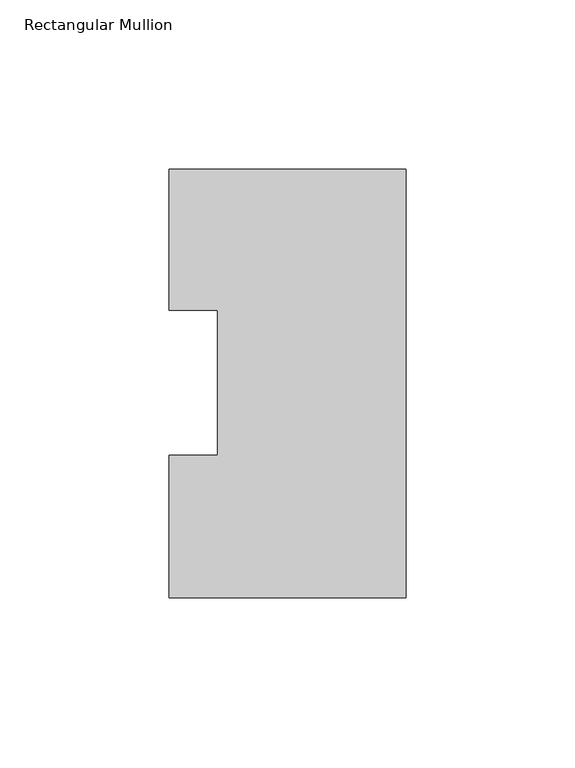
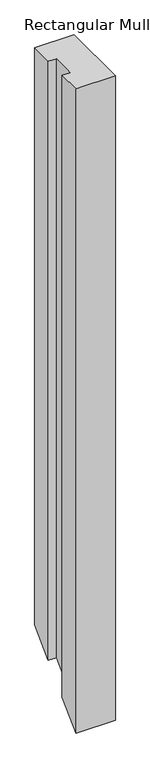
"""IFC4 building model written with IfcOpenShell, lengths in millimetres: member geometry, Rectangular Mullion."""

from ifc_helpers import new_model, si_unit, origin, place, context, project, spatial, faceted_brep, source, transform, mapped, element, save


def rectangular_mullion_8e13900c(model_context):
    return source(origin(), model_context, "Body", "Brep", [
        faceted_brep([(-69.85, 0.04445, 0.0), (0.0, 0.04445, 0.0), (0.0, 126.53645, 0.0), (-69.85, 126.53645, 0.0), (-69.85, 84.93125, 0.0), (-55.5625, 84.93125, 0.0), (-55.5625, 42.08145, 0.0), (-69.85, 42.08145, 0.0), (-69.85, 0.04445, -1206.246), (0.0, 0.04445, -1206.246), (0.0, 126.53645, -1079.754), (-69.85, 126.53645, -1079.754), (-69.85, 84.93125, -1121.3592), (-55.5625, 84.93125, -1121.3592), (-55.5625, 42.08145, -1164.209), (-69.85, 42.08145, -1164.209)], [[[0, 1, 2, 3, 4, 5, 6, 7]], [[1, 0, 8, 9]], [[2, 1, 9, 10]], [[3, 2, 10, 11]], [[4, 3, 11, 12]], [[5, 4, 12, 13]], [[6, 5, 13, 14]], [[7, 6, 14, 15]], [[0, 7, 15, 8]], [[8, 15, 14, 13, 12, 11, 10, 9]]]),
    ])


if __name__ == "__main__":
    model = new_model("IFC4")
    model_context = context("Model", 3, world=origin())
    ifc_project = project(units=[si_unit("LENGTHUNIT", "METRE", prefix="MILLI")], contexts=[model_context])
    site = spatial("IfcSite", under=ifc_project)
    building = spatial("IfcBuilding", under=site)
    placement = place(None, origin())
    rectangular_mullion_shape = rectangular_mullion_8e13900c(model_context)
    element("IfcMember", 1, ObjectType="Rectangular Mullion", at=placement, inside=building, context=model_context, shape_type="MappedRepresentation", body=[
        mapped(rectangular_mullion_shape, transform((0.0, 0.0, 0.0), x_axis=(1.0, 0.0, 0.0), y_axis=(0.0, 1.0, 0.0), z_axis=(0.0, 0.0, 1.0))),
    ])
    save(model, "model.ifc")
